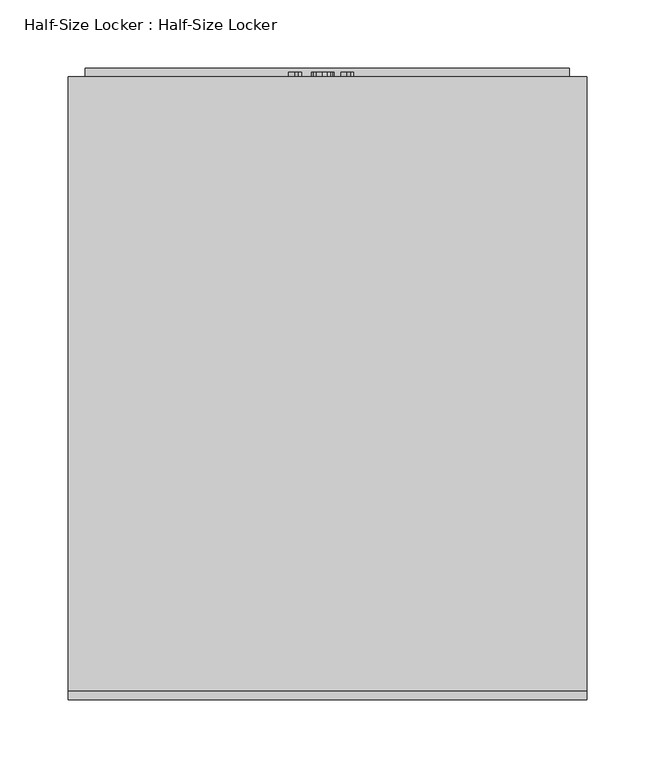
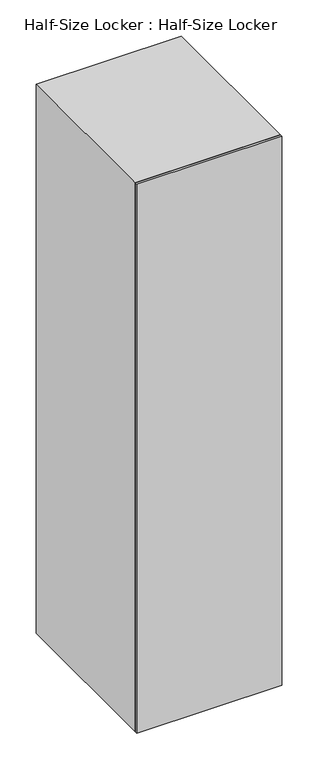
"""IFC4 building model written with IfcOpenShell, lengths in millimetres: furniture geometry, Half-Size Locker : Half-Size Locker."""

from ifc_helpers import new_model, si_unit, frame, origin, origin_with_axes, place, context, project, spatial, polyline, outline, extrude, source, transform, mapped, element, save


def half_size_locker_half_size_locker_24844158(model_context):
    return source(origin(), model_context, "Body", "SweptSolid", [
        extrude(outline(polyline([(1498.6, 177.8), (1498.6, -177.8), (0.0, -177.8), (0.0, 177.8), (1498.6, 177.8)]), holes=[polyline([(1375.3615171, 76.2), (1362.6615171, 76.2), (1362.6615171, -76.2), (1375.3615171, -76.2), (1375.3615171, 76.2)]), polyline([(1349.9615171, 76.2), (1337.2615171, 76.2), (1337.2615171, -76.2), (1349.9615171, -76.2), (1349.9615171, 76.2)]), polyline([(1324.5615171, 76.2), (1311.8615171, 76.2), (1311.8615171, -76.2), (1324.5615171, -76.2), (1324.5615171, 76.2)]), polyline([(657.8115171, 76.2), (645.1115171, 76.2), (645.1115171, -76.2), (657.8115171, -76.2), (657.8115171, 76.2)]), polyline([(632.4115171, 76.2), (619.7115171, 76.2), (619.7115171, -76.2), (632.4115171, -76.2), (632.4115171, 76.2)]), polyline([(607.0115171, 76.2), (594.3115171, 76.2), (594.3115171, -76.2), (607.0115171, -76.2), (607.0115171, 76.2)])]), frame((0.0, 298.45, 0.0), z_axis=(0.0, 1.0, 0.0), x_axis=(0.0, 0.0, 1.0)), (0.0, 0.0, 1.0), 6.35),
        extrude(outline(polyline([(1524.0, 190.5), (1524.0, -190.5), (0.0, -190.5), (0.0, 190.5), (1524.0, 190.5)]), holes=[polyline([(76.2, -177.8), (1498.6, -177.8), (1498.6, 177.8), (76.2, 177.8), (76.2, -177.8)])]), frame((0.0, -146.05, 0.0), z_axis=(0.0, 1.0, 0.0), x_axis=(0.0, 0.0, 1.0)), (0.0, 0.0, 1.0), 450.85),
        extrude(outline(polyline([(190.5, -146.05), (190.5, -152.4), (-190.5, -152.4), (-190.5, -146.05), (190.5, -146.05)])), origin_with_axes(), (0.0, 0.0, 1.0), 1524.0),
        extrude(outline(polyline([(1259.2753143, -19.0318563), (1284.284545, -19.0318563), (1284.284545, -21.0467601), (1280.9569008, -23.827938), (1278.0322373, -28.4103178), (1275.077045, -28.4103178), (1276.6553864, -25.1193082), (1278.7649296, -22.1580101), (1259.2753143, -22.1580101), (1259.2753143, -19.0318563)])), frame((0.0, 304.8, 0.0), z_axis=(0.0, 1.0, 0.0), x_axis=(0.0, 0.0, 1.0)), (0.0, 0.0, 1.0), 3.175),
        extrude(outline(polyline([(1271.5784393, -11.6072409), (1261.265795, -9.1160871), (1258.884545, -3.4010871), (1260.2552902, 1.175187), (1264.4133191, 3.8953072), (1271.5784393, 4.8050668), (1277.4552421, 4.2372302), (1281.1553383, 2.7718456), (1283.4785835, 0.2501629), (1284.284545, -3.4010871), (1282.9229585, -7.9590438), (1278.7740883, -10.6883226), (1271.5784393, -11.6072409)]), holes=[polyline([(1271.584545, -8.4810871), (1279.4854104, -6.9668563), (1281.1583912, -3.4377217), (1279.259497, 0.2623745), (1271.584545, 1.6789129), (1263.8271652, 0.2135283), (1262.0106989, -3.4010871), (1263.8210595, -7.0157024), (1271.584545, -8.4810871)])]), frame((0.0, 304.8, 0.0), z_axis=(0.0, 1.0, 0.0), x_axis=(0.0, 0.0, 1.0)), (0.0, 0.0, 1.0), 3.175),
        extrude(outline(polyline([(1259.2753143, 19.2635283), (1284.284545, 19.2635283), (1284.284545, 17.2486245), (1280.9569008, 14.4674466), (1278.0322373, 9.8850668), (1275.077045, 9.8850668), (1276.6553864, 13.1760764), (1278.7649296, 16.1373745), (1259.2753143, 16.1373745), (1259.2753143, 19.2635283)])), frame((0.0, 304.8, 0.0), z_axis=(0.0, 1.0, 0.0), x_axis=(0.0, 0.0, 1.0)), (0.0, 0.0, 1.0), 3.175),
        extrude(outline(polyline([(541.7253143, -19.0318563), (566.734545, -19.0318563), (566.734545, -21.0467601), (563.4069008, -23.827938), (560.4822373, -28.4103178), (557.527045, -28.4103178), (559.1053864, -25.1193082), (561.2149296, -22.1580101), (541.7253143, -22.1580101), (541.7253143, -19.0318563)])), frame((0.0, 304.8, 0.0), z_axis=(0.0, 1.0, 0.0), x_axis=(0.0, 0.0, 1.0)), (0.0, 0.0, 1.0), 3.175),
        extrude(outline(polyline([(554.0284393, -11.6072409), (543.715795, -9.1160871), (541.334545, -3.4010871), (542.7052902, 1.175187), (546.8633191, 3.8953072), (554.0284393, 4.8050668), (559.9052421, 4.2372302), (563.6053383, 2.7718456), (565.9285835, 0.2501629), (566.734545, -3.4010871), (565.3729585, -7.9590438), (561.2240883, -10.6883226), (554.0284393, -11.6072409)]), holes=[polyline([(554.034545, -8.4810871), (561.9354104, -6.9668563), (563.6083912, -3.4377217), (561.709497, 0.2623745), (554.034545, 1.6789129), (546.2771652, 0.2135283), (544.4606989, -3.4010871), (546.2710595, -7.0157024), (554.034545, -8.4810871)])]), frame((0.0, 304.8, 0.0), z_axis=(0.0, 1.0, 0.0), x_axis=(0.0, 0.0, 1.0)), (0.0, 0.0, 1.0), 3.175),
        extrude(outline(polyline([(541.7253143, 19.2635283), (566.734545, 19.2635283), (566.734545, 17.2486245), (563.4069008, 14.4674466), (560.4822373, 9.8850668), (557.527045, 9.8850668), (559.1053864, 13.1760764), (561.2149296, 16.1373745), (541.7253143, 16.1373745), (541.7253143, 19.2635283)])), frame((0.0, 304.8, 0.0), z_axis=(0.0, 1.0, 0.0), x_axis=(0.0, 0.0, 1.0)), (0.0, 0.0, 1.0), 3.175),
        extrude(outline(polyline([(177.8, 311.15), (177.8, 279.4), (-177.8, 279.4), (-177.8, 311.15), (177.8, 311.15)])), frame((0.0, 0.0, 755.65), z_axis=(0.0, 0.0, 1.0), x_axis=(1.0, 0.0, 0.0)), (0.0, 0.0, 1.0), 6.35),
        extrude(outline(polyline([(177.8, 279.4), (177.8, 273.05), (-177.8, 273.05), (-177.8, 279.4), (177.8, 279.4)])), frame((0.0, 0.0, 76.2), z_axis=(0.0, 0.0, 1.0), x_axis=(1.0, 0.0, 0.0)), (0.0, 0.0, 1.0), 679.45),
        extrude(outline(polyline([(165.1, 298.45), (165.1, -146.05), (-177.8, -146.05), (-177.8, 298.45), (165.1, 298.45)])), frame((0.0, 0.0, 1320.8), z_axis=(0.0, 0.0, 1.0), x_axis=(1.0, 0.0, 0.0)), (0.0, 0.0, 1.0), 6.35),
        extrude(outline(polyline([(177.8, 298.45), (177.8, -146.05), (-177.8, -146.05), (-177.8, 298.45), (177.8, 298.45)])), frame((0.0, 0.0, 762.0), z_axis=(0.0, 0.0, 1.0), x_axis=(1.0, 0.0, 0.0)), (0.0, 0.0, 1.0), 19.05),
    ])


if __name__ == "__main__":
    model = new_model("IFC4")
    model_context = context("Model", 3, world=origin())
    ifc_project = project(units=[si_unit("LENGTHUNIT", "METRE", prefix="MILLI")], contexts=[model_context])
    site = spatial("IfcSite", under=ifc_project)
    building = spatial("IfcBuilding", under=site)
    placement = place(None, origin())
    half_size_locker_half_size_locker_shape = half_size_locker_half_size_locker_24844158(model_context)
    element("IfcFurniture", 1, ObjectType="Half-Size Locker : Half-Size Locker", at=placement, inside=building, context=model_context, shape_type="MappedRepresentation", body=[
        mapped(half_size_locker_half_size_locker_shape, transform((0.0, 0.0, 0.0), x_axis=(1.0, 0.0, 0.0), y_axis=(0.0, 1.0, 0.0), z_axis=(0.0, 0.0, 1.0))),
    ])
    save(model, "model.ifc")
